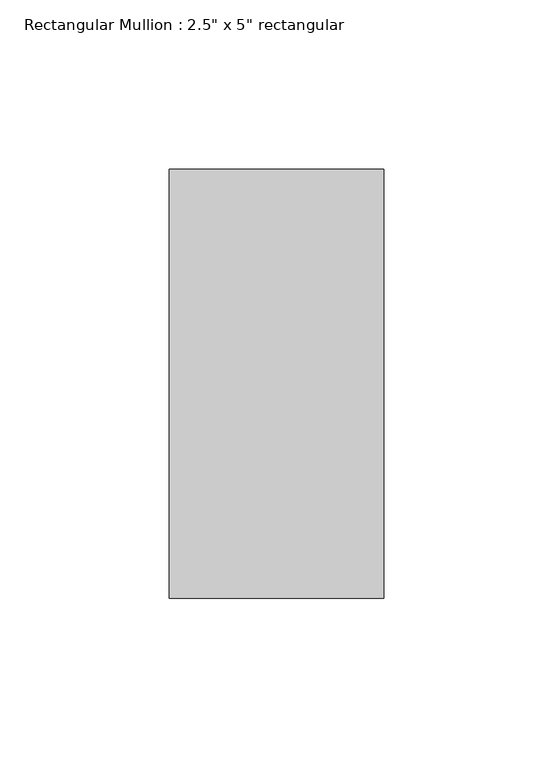
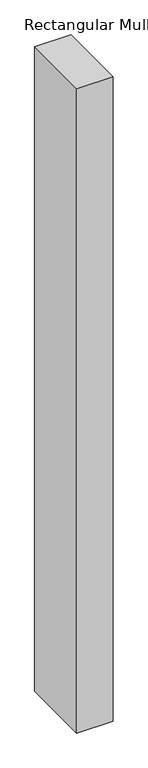
"""IFC4 building model written with IfcOpenShell, lengths in millimetres: member geometry."""

from ifc_helpers import new_model, si_unit, frame, origin, place, context, project, spatial, polyline, outline, extrude, source, transform, mapped, element, save


def member_cd287ad4(model_context):
    return source(origin(), model_context, "Body", "SweptSolid", [
        extrude(outline(polyline([(31.75, 63.5), (31.75, -63.5), (-31.75, -63.5), (-31.75, 63.5), (31.75, 63.5)])), frame((0.0, 0.0, -1189.1958333), z_axis=(0.0, 0.0, 1.0), x_axis=(1.0, 0.0, 0.0)), (0.0, 0.0, 1.0), 1189.1958333),
    ])


if __name__ == "__main__":
    model = new_model("IFC4")
    model_context = context("Model", 3, world=origin())
    ifc_project = project(units=[si_unit("LENGTHUNIT", "METRE", prefix="MILLI")], contexts=[model_context])
    site = spatial("IfcSite", under=ifc_project)
    building = spatial("IfcBuilding", under=site)
    placement = place(None, origin())
    member_shape = member_cd287ad4(model_context)
    element("IfcMember", 1, ObjectType="Rectangular Mullion : 2.5\" x 5\" rectangular", at=placement, inside=building, context=model_context, shape_type="MappedRepresentation", body=[
        mapped(member_shape, transform((0.0, 0.0, 0.0), x_axis=(1.0, 0.0, 0.0), y_axis=(0.0, 1.0, 0.0), z_axis=(0.0, 0.0, 1.0))),
    ])
    save(model, "model.ifc")
